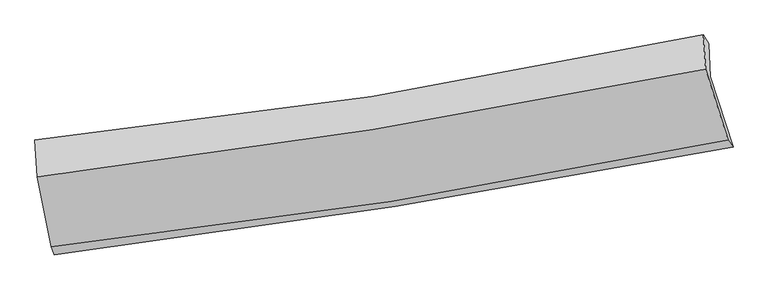
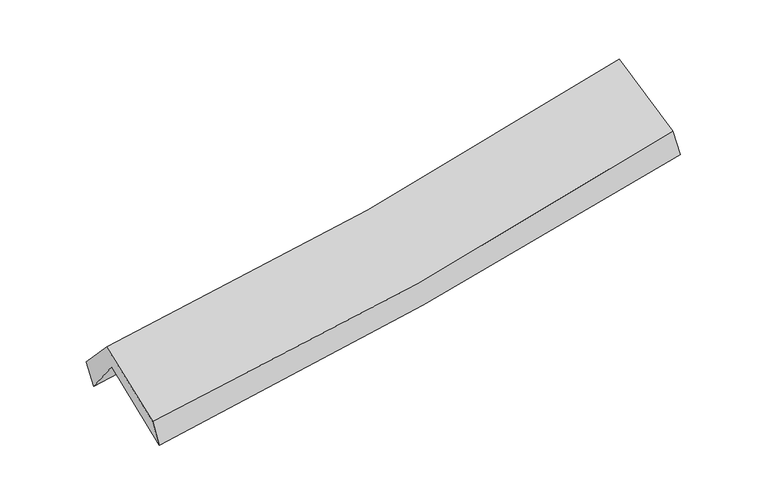
"""IFC4 building model written with IfcOpenShell, lengths in millimetres: proxy geometry."""

from ifc_helpers import new_model, si_unit, frame, origin, place, context, project, spatial, source, transform, mapped, element, save
from ifc_brep_helpers import plane_surface, spline_curve, spline_surface, advanced_brep


def generic_models_e1e1f4a8(model_context):
    return source(origin(), model_context, "Body", "AdvancedBrep", [
        advanced_brep(
        [(-2349.8180838, -2475.6215593, 1487.3091541), (-2455.3190728, -1959.5871177, 1921.1252899), (2377.3940163, -1189.8857715, 2358.2268707), (2543.4061492, -1696.7302588, 1922.6053492), (-2467.7960043, -1713.4660648, 1597.0896874), (2367.5679175, -950.2238333, 2031.5680152), (-2491.0456423, -1647.5301582, 1789.5909912), (2329.626734, -886.448551, 2218.642178), (-2473.1254175, -1912.8273073, 2076.1394438), (2345.403601, -1134.6862791, 2513.5614267), (-2371.7303144, -2417.5210029, 1676.9345581), (2507.267695, -1646.946778, 2119.2173826)],
        [
            (0, 1),
            (1, 2, spline_curve(3, [(-2455.3190728, -1959.5871177, 1921.1252899), (-1644.031410518, -1854.147748943, 1978.573307396), (-835.308513933, -1737.21958251, 2043.761399), (775.586815975, -1480.612002781, 2189.489187357), (1577.768282185, -1340.973053491, 2270.001622489), (2377.3940163, -1189.8857715, 2358.2268707)], [4, 2, 4], [0.0, 8.11809679719613, 16.221884652729695])),
            (2, 3),
            (3, 0, spline_curve(3, [(2543.4061492, -1696.7302588, 1922.6053492), (1733.083107172, -1852.487777233, 1834.311395455), (920.514565551, -1995.228383353, 1753.914760568), (-710.552242094, -2254.904825709, 1608.788115242), (-1529.058444822, -2371.794652931, 1544.086018497), (-2349.8180838, -2475.6215593, 1487.3091541)], [4, 2, 4], [0.0, 8.103787855533565, 16.221884652729695])),
            (1, 4),
            (4, 5, spline_curve(3, [(-2467.7960043, -1713.4660648, 1597.0896874), (-1655.803727398, -1608.505851644, 1649.03336471), (-846.507541525, -1492.356261289, 1711.252723511), (765.270936363, -1237.902774327, 1856.115024871), (1567.762724454, -1099.638287245, 1938.721775273), (2367.5679175, -950.2238333, 2031.5680152)], [4, 2, 4], [0.0, 8.069303394045823, 16.124383849586795])),
            (5, 2),
            (4, 6),
            (6, 7, spline_curve(3, [(-2491.0456423, -1647.5301582, 1789.5909912), (-1676.459951883, -1563.414060089, 1829.05398679), (-867.094659579, -1457.857704047, 1884.585449254), (739.777745947, -1204.088320738, 2027.65910625), (1537.303245356, -1055.950807423, 2115.144706074), (2329.626734, -886.448551, 2218.642178)], [4, 2, 4], [0.0, 8.059610693132333, 16.10501553209564])),
            (7, 5),
            (6, 8),
            (8, 9, spline_curve(3, [(-2473.1254175, -1912.8273073, 2076.1394438), (-1661.253622719, -1815.277797223, 2124.285116889), (-853.423009503, -1701.586532645, 2184.852886211), (752.73909661, -1442.149337183, 2330.703965394), (1551.084822877, -1296.460259184, 2415.943523851), (2345.403601, -1134.6862791, 2513.5614267)], [4, 2, 4], [0.0, 8.049010461273106, 16.08383375232529])),
            (9, 7),
            (8, 10),
            (10, 11, spline_curve(3, [(-2371.7303144, -2417.5210029, 1676.9345581), (-1549.868072089, -2327.6752345, 1725.272447497), (-731.998665086, -2218.464122617, 1786.342025298), (894.31994142, -1961.537841193, 1933.814475533), (1702.783204214, -1813.890878027, 2020.172505842), (2507.267695, -1646.946778, 2119.2173826)], [4, 2, 4], [0.0, 8.097649034045997, 16.18102516761708])),
            (11, 9),
            (10, 0),
            (3, 11),
        ],
        [
            spline_surface(3, 3, [[(-2349.8180838, -2475.6215593, 1487.3091541), (-1529.058444781, -2371.79465302, 1544.086018632), (-710.552242047, -2254.904825656, 1608.788115377), (920.514565504, -1995.228383406, 1753.914760434), (1733.083107061, -1852.487777219, 1834.311395426), (2543.4061492, -1696.7302588, 1922.6053492)], [(-2384.985080126, -2303.610078771, 1631.914532681), (-1567.382766689, -2199.245684993, 1688.915114899), (-752.137665964, -2082.343077984, 1753.779209934), (872.205315643, -1823.689589828, 1899.106236027), (1681.311498776, -1681.982869312, 1979.541471146), (2488.068771573, -1527.782096349, 2067.812523032)], [(-2420.152076474, -2131.598598229, 1776.519911319), (-1605.707088619, -2026.696716952, 1833.744211222), (-793.723089922, -1909.781330302, 1898.770304539), (823.896065742, -1652.15079624, 2044.297711668), (1629.539890472, -1511.477961458, 2124.771546869), (2432.731393927, -1358.833933951, 2213.019696868)], [(-2455.3190728, -1959.5871177, 1921.1252899), (-1644.031410527, -1854.147748925, 1978.57330749), (-835.308513839, -1737.21958263, 2043.761399096), (775.586815881, -1480.612002661, 2189.489187261), (1577.768282187, -1340.97305355, 2270.001622589), (2377.3940163, -1189.8857715, 2358.2268707)]], [4, 4], [4, 2, 4], [0.0, 2.2589122048688672], [0.0, 8.11809679719613, 16.221884652729695]),
            spline_surface(3, 3, [[(-2455.3190728, -1959.5871177, 1921.1252899), (-1644.031410527, -1854.147748925, 1978.57330749), (-835.308513839, -1737.21958263, 2043.761399096), (775.586815881, -1480.612002661, 2189.489187261), (1577.768282187, -1340.97305355, 2270.001622589), (2377.3940163, -1189.8857715, 2358.2268707)], [(-2459.478049966, -1877.546766737, 1813.113422399), (-1647.955516171, -1772.267116489, 1868.726659925), (-839.041523108, -1655.598475532, 1932.925173962), (772.148189395, -1399.708926504, 2078.364466451), (1574.43309629, -1260.528131467, 2159.575006795), (2374.118650024, -1109.998458773, 2249.340585536)], [(-2463.637027134, -1795.506415763, 1705.101554901), (-1651.879621816, -1690.386484043, 1758.880012364), (-842.774532347, -1573.977368479, 1822.088948756), (768.70956294, -1318.805850392, 1967.23974557), (1571.09791042, -1180.083209366, 2049.148390993), (2370.843283776, -1030.111146027, 2140.454300364)], [(-2467.7960043, -1713.4660648, 1597.0896874), (-1655.803727459, -1608.505851607, 1649.033364799), (-846.507541616, -1492.356261382, 1711.252723622), (765.270936454, -1237.902774235, 1856.11502476), (1567.762724524, -1099.638287282, 1938.721775198), (2367.5679175, -950.2238333, 2031.5680152)]], [4, 4], [4, 2, 4], [0.0, 1.3543070623605198], [0.0, 8.069303394045823, 16.124383849586795]),
            spline_surface(3, 3, [[(-2467.7960043, -1713.4660648, 1597.0896874), (-1655.803727459, -1608.505851607, 1649.033364799), (-846.507541616, -1492.356261382, 1711.252723622), (765.270936454, -1237.902774235, 1856.11502476), (1567.762724524, -1099.638287282, 1938.721775198), (2367.5679175, -950.2238333, 2031.5680152)], [(-2475.545883632, -1691.487429254, 1661.256788671), (-1662.689135643, -1593.475254433, 1709.040238822), (-853.369914242, -1480.856742313, 1769.030298852), (756.773206273, -1226.631289696, 1913.296385224), (1557.609564842, -1085.075794009, 1997.529418786), (2354.920856337, -928.965405865, 2093.926069465)], [(-2483.295762968, -1669.508793746, 1725.423889929), (-1669.574543831, -1578.444657297, 1769.047112831), (-860.232286892, -1469.357223239, 1826.807874102), (748.275476067, -1215.359805154, 1970.477745708), (1547.456405149, -1070.513300742, 2056.337062378), (2342.273795163, -907.706978435, 2156.284123735)], [(-2491.0456423, -1647.5301582, 1789.5909912), (-1676.459952014, -1563.414060123, 1829.053986854), (-867.094659518, -1457.85770417, 1884.585449332), (739.777745887, -1204.088320615, 2027.659106172), (1537.303245467, -1055.95080747, 2115.144705966), (2329.626734, -886.448551, 2218.642178)]], [4, 4], [4, 2, 4], [0.0, 0.5816709027569277], [0.0, 8.059610693132333, 16.10501553209564]),
            spline_surface(3, 3, [[(-2491.0456423, -1647.5301582, 1789.5909912), (-1676.459952014, -1563.414060123, 1829.053986854), (-867.094659518, -1457.85770417, 1884.585449332), (739.777745887, -1204.088320615, 2027.659106172), (1537.303245467, -1055.95080747, 2115.144705966), (2329.626734, -886.448551, 2218.642178)], [(-2485.072234028, -1735.962541255, 1885.107142063), (-1671.391175599, -1647.36863921, 1927.464363511), (-862.537442851, -1539.100646995, 1984.674594922), (744.098196123, -1283.441992812, 2128.674059273), (1541.897104584, -1136.120624699, 2215.410978593), (2334.885689674, -969.194460369, 2316.948594239)], [(-2479.098825772, -1824.394924245, 1980.623292937), (-1666.3223992, -1731.323218232, 2025.87474018), (-857.980226169, -1620.343589809, 2084.763740525), (748.418646373, -1362.795664998, 2229.689012387), (1546.490963681, -1216.290441923, 2315.677251203), (2340.144645326, -1051.940369731, 2415.255010461)], [(-2473.1254175, -1912.8273073, 2076.1394438), (-1661.253622785, -1815.277797318, 2124.285116837), (-853.423009502, -1701.586532634, 2184.852886116), (752.739096609, -1442.149337194, 2330.703965489), (1551.084822799, -1296.460259152, 2415.94352383), (2345.403601, -1134.6862791, 2513.5614267)]], [4, 4], [4, 2, 4], [0.0, 1.267292403926736], [0.0, 8.049010461273106, 16.08383375232529]),
            spline_surface(3, 3, [[(-2473.1254175, -1912.8273073, 2076.1394438), (-1661.253622785, -1815.277797318, 2124.285116837), (-853.423009502, -1701.586532634, 2184.852886116), (752.739096609, -1442.149337194, 2330.703965489), (1551.084822799, -1296.460259152, 2415.94352383), (2345.403601, -1134.6862791, 2513.5614267)], [(-2439.327049791, -2081.058539151, 1943.071148575), (-1624.12510592, -1986.076943012, 1991.280893732), (-812.948228049, -1873.87906265, 2052.015932498), (799.932711577, -1615.278838543, 2198.407468857), (1601.650949934, -1468.937132099, 2284.019851226), (2399.358298974, -1305.439778715, 2382.113412021)], [(-2405.528682109, -2249.289771049, 1810.002853325), (-1586.996589083, -2156.876088752, 1858.276670602), (-772.473446615, -2046.17159261, 1919.178978868), (847.126326527, -1788.408339835, 2066.110972213), (1652.217077146, -1641.414005103, 2152.096178559), (2453.312997026, -1476.193278385, 2250.665397279)], [(-2371.7303144, -2417.5210029, 1676.9345581), (-1549.868072218, -2327.675234446, 1725.272447497), (-731.998665162, -2218.464122627, 1786.34202525), (894.319941495, -1961.537841183, 1933.814475581), (1702.783204281, -1813.89087805, 2020.172505955), (2507.267695, -1646.946778, 2119.2173826)]], [4, 4], [4, 2, 4], [0.0, 2.1859219018891847], [0.0, 8.097649034045997, 16.18102516761708]),
            spline_surface(3, 3, [[(-2371.7303144, -2417.5210029, 1676.9345581), (-1549.868072218, -2327.675234446, 1725.272447497), (-731.998665162, -2218.464122627, 1786.34202525), (894.319941495, -1961.537841183, 1933.814475581), (1702.783204281, -1813.89087805, 2020.172505955), (2507.267695, -1646.946778, 2119.2173826)], [(-2364.426237558, -2436.887855032, 1613.726090111), (-1542.931529763, -2342.381707303, 1664.87697122), (-724.84985747, -2230.611023624, 1727.157388625), (903.051482818, -1972.768021912, 1873.847903864), (1712.883171892, -1826.756511138, 1958.218802418), (2519.313846418, -1663.541271631, 2053.680038107)], [(-2357.122160642, -2456.254707168, 1550.517622089), (-1535.994987235, -2357.088180163, 1604.481494909), (-717.701049739, -2242.757924658, 1667.972752002), (911.783024181, -1983.998202677, 1813.881332151), (1722.98313945, -1839.622144132, 1896.265098962), (2531.359997782, -1680.135765169, 1988.142693693)], [(-2349.8180838, -2475.6215593, 1487.3091541), (-1529.058444781, -2371.79465302, 1544.086018632), (-710.552242047, -2254.904825656, 1608.788115377), (920.514565504, -1995.228383406, 1753.914760434), (1733.083107061, -1852.487777219, 1834.311395426), (2543.4061492, -1696.7302588, 1922.6053492)]], [4, 4], [4, 2, 4], [0.0, 0.6026352330280168], [0.0, 8.157109886863571, 16.29984206766843]),
            plane_surface(frame((2411.7776855, -1250.8202453, 2193.9702037), z_axis=(0.9696433508328262, 0.2101501409744614, 0.12501476086488045), x_axis=(0.2428853490849661, -0.7686730705264819, -0.5917334009900611))),
            plane_surface(frame((-2434.8057559, -2021.0922017, 1758.0315207), z_axis=(-0.987263346515548, -0.14268825400581875, -0.07036438584747332), x_axis=(-0.10981730603418555, 0.29118197595571904, 0.9503437357997985))),
        ],
        [
            (0, [[1, 2, 3, 4]]),
            (1, [[5, 6, 7, -2]]),
            (2, [[8, 9, 10, -6]]),
            (3, [[11, 12, 13, -9]]),
            (4, [[14, 15, 16, -12]]),
            (5, [[17, -4, 18, -15]]),
            (6, [[-16, -18, -3, -7, -10, -13]]),
            (7, [[-17, -14, -11, -8, -5, -1]]),
        ],
    ),
    ])


if __name__ == "__main__":
    model = new_model("IFC4")
    model_context = context("Model", 3, world=origin())
    ifc_project = project(units=[si_unit("LENGTHUNIT", "METRE", prefix="MILLI")], contexts=[model_context])
    site = spatial("IfcSite", under=ifc_project)
    building = spatial("IfcBuilding", under=site)
    placement = place(None, origin())
    generic_models_shape = generic_models_e1e1f4a8(model_context)
    element("IfcBuildingElementProxy", 1, Name="Generic Models", at=placement, inside=building, context=model_context, shape_type="MappedRepresentation", body=[
        mapped(generic_models_shape, transform((0.0, 0.0, 0.0), x_axis=(1.0, 0.0, 0.0), y_axis=(0.0, 1.0, 0.0), z_axis=(0.0, 0.0, 1.0))),
    ])
    save(model, "model.ifc")
